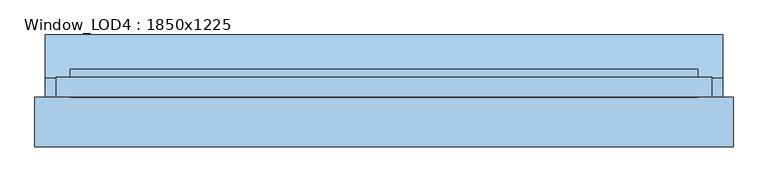
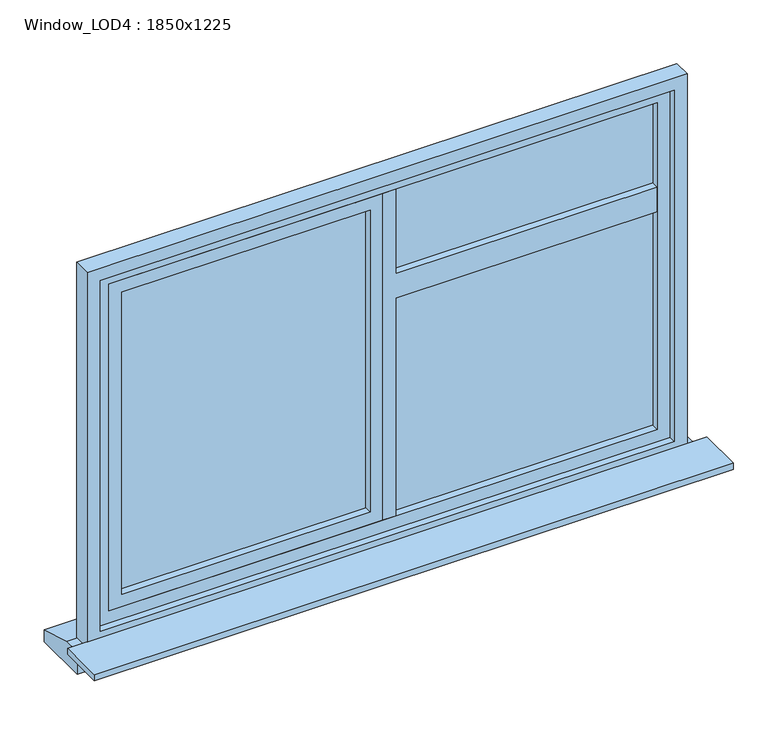
"""IFC4 building model written with IfcOpenShell, lengths in millimetres: window geometry, Window_LOD4 : 1850x1225."""

from ifc_helpers import new_model, si_unit, frame, origin, place, context, project, spatial, polyline, outline, extrude, source, transform, mapped, element, save


def window_lod4_1850x1225_f550b0dd(model_context):
    return source(origin(), model_context, "Body", "SweptSolid", [
        extrude(outline(polyline([(1590.0, 40.0), (1590.0, 845.000037), (1670.0, 845.000037), (1670.0, 40.0), (1945.0000491, 40.0), (1945.0000491, 0.0), (880.0, 0.0), (880.0, 40.0), (1590.0, 40.0)])), frame((0.0, 25.0, 0.0), z_axis=(0.0, 1.0, 0.0), x_axis=(0.0, 0.0, 1.0)), (0.0, 0.0, 1.0), 55.0),
        extrude(outline(polyline([(1945.0000491, 0.0), (1945.0000491, -845.000037), (880.0, -845.000037), (880.0, 0.0), (1945.0000491, 0.0)]), holes=[polyline([(1905.0000491, -40.0), (920.0, -40.0), (920.0, -805.000037), (1905.0000491, -805.000037), (1905.0000491, -40.0)])]), frame((0.0, 25.0, 0.0), z_axis=(0.0, 1.0, 0.0), x_axis=(0.0, 0.0, 1.0)), (0.0, 0.0, 1.0), 55.0),
        extrude(outline(polyline([(845.000037, 47.5), (40.0, 47.5), (40.0, 57.5), (845.000037, 57.5), (845.000037, 47.5)])), frame((0.0, 0.0, 880.0), z_axis=(0.0, 0.0, 1.0), x_axis=(1.0, 0.0, 0.0)), (0.0, 0.0, 1.0), 1065.0000491),
        extrude(outline(polyline([(1985.0000491, -885.000037), (840.0, -885.000037), (840.0, 885.000037), (1985.0000491, 885.000037), (1985.0000491, -885.000037)]), holes=[polyline([(1945.0000491, -845.000037), (1945.0000491, 845.000037), (880.0, 845.000037), (880.0, -845.000037), (1945.0000491, -845.000037)])]), frame((0.0, 25.0, 0.0), z_axis=(0.0, 1.0, 0.0), x_axis=(0.0, 0.0, 1.0)), (0.0, 0.0, 1.0), 55.0),
        extrude(outline(polyline([(-40.0, 47.5), (-845.000037, 47.5), (-845.000037, 57.5), (-40.0, 57.5), (-40.0, 47.5)])), frame((0.0, 0.0, 880.0), z_axis=(0.0, 0.0, 1.0), x_axis=(1.0, 0.0, 0.0)), (0.0, 0.0, 1.0), 1065.0000491),
        extrude(outline(polyline([(57.5, 800.0), (177.5, 765.0), (177.5, 725.0), (2.5, 725.0), (2.5, 800.0), (57.5, 800.0)])), frame((-955.8151868, 0.0, 0.0), z_axis=(1.0, 0.0, 0.0), x_axis=(0.0, 1.0, 0.0)), (0.0, 0.0, 1.0), 1911.6303737),
        extrude(outline(polyline([(2025.0000491, -925.000037), (800.0, -925.000037), (800.0, 925.000037), (2025.0000491, 925.000037), (2025.0000491, -925.000037)]), holes=[polyline([(1985.0000491, -885.000037), (1985.0000491, 885.000037), (840.0, 885.000037), (840.0, -885.000037), (1985.0000491, -885.000037)])]), frame((0.0, 2.5, 0.0), z_axis=(0.0, 1.0, 0.0), x_axis=(0.0, 0.0, 1.0)), (0.0, 0.0, 1.0), 55.0),
        extrude(outline(polyline([(985.000037, 2.5), (985.000037, -138.2707589), (-985.000037, -138.2707589), (-985.000037, 2.5), (985.000037, 2.5)])), frame((0.0, 0.0, 800.0), z_axis=(0.0, 0.0, 1.0), x_axis=(1.0, 0.0, 0.0)), (0.0, 0.0, 1.0), 20.0),
    ])


if __name__ == "__main__":
    model = new_model("IFC4")
    model_context = context("Model", 3, world=origin())
    ifc_project = project(units=[si_unit("LENGTHUNIT", "METRE", prefix="MILLI")], contexts=[model_context])
    site = spatial("IfcSite", under=ifc_project)
    building = spatial("IfcBuilding", under=site)
    placement = place(None, origin())
    window_lod4_1850x1225_shape = window_lod4_1850x1225_f550b0dd(model_context)
    element("IfcWindow", 1, ObjectType="Window_LOD4 : 1850x1225", at=placement, inside=building, context=model_context, shape_type="MappedRepresentation", body=[
        mapped(window_lod4_1850x1225_shape, transform((0.0, 0.0, 0.0), x_axis=(1.0, 0.0, 0.0), y_axis=(0.0, 1.0, 0.0), z_axis=(0.0, 0.0, 1.0))),
    ])
    save(model, "model.ifc")
